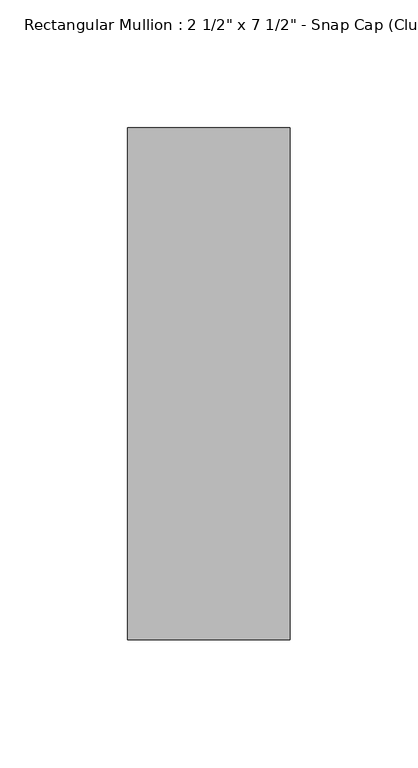
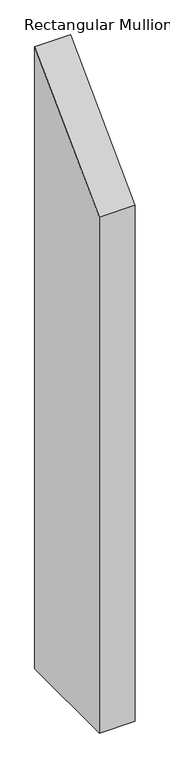
"""IFC4 building model written with IfcOpenShell, lengths in millimetres: member geometry."""

from ifc_helpers import new_model, si_unit, frame, origin, place, context, project, spatial, polyline, outline, extrude, source, transform, mapped, element, save


def member_b3f97dd7(model_context):
    return source(origin(), model_context, "Body", "SweptSolid", [
        extrude(outline(polyline([(-174.2, -174.2), (25.8, 25.8), (25.8, -1147.6), (-174.2, -1147.6), (-174.2, -174.2)])), frame((-31.75, 0.0, 0.0), z_axis=(1.0, 0.0, 0.0), x_axis=(0.0, 1.0, 0.0)), (0.0, 0.0, 1.0), 63.5),
    ])


if __name__ == "__main__":
    model = new_model("IFC4")
    model_context = context("Model", 3, world=origin())
    ifc_project = project(units=[si_unit("LENGTHUNIT", "METRE", prefix="MILLI")], contexts=[model_context])
    site = spatial("IfcSite", under=ifc_project)
    building = spatial("IfcBuilding", under=site)
    placement = place(None, origin())
    member_shape = member_b3f97dd7(model_context)
    element("IfcMember", 1, ObjectType="Rectangular Mullion : 2 1/2\" x 7 1/2\" - Snap Cap (Club)", at=placement, inside=building, context=model_context, shape_type="MappedRepresentation", body=[
        mapped(member_shape, transform((0.0, 0.0, 0.0), x_axis=(1.0, 0.0, 0.0), y_axis=(0.0, 1.0, 0.0), z_axis=(0.0, 0.0, 1.0))),
    ])
    save(model, "model.ifc")
